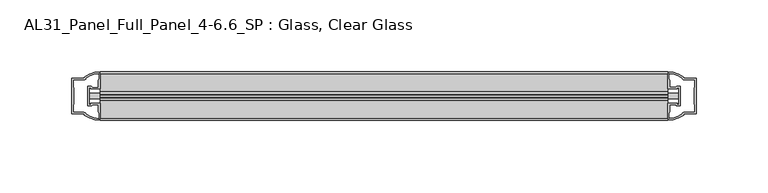
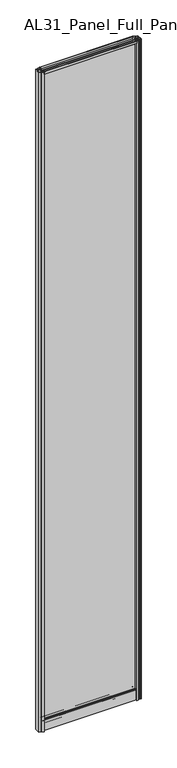
"""IFC4 building model written with IfcOpenShell, lengths in millimetres: plate geometry, AL31_Panel_Full_Panel_4-6.6_SP : Glass, Clear Glass."""

from ifc_helpers import new_model, si_unit, point, frame, frame_2d, origin, origin_with_axes, place, context, project, spatial, polyline, circle_curve, trimmed, segment, composite_curve, outline, extrude, source, transform, mapped, element, save


def al31_panel_full_panel_4_6_6_sp_glass_clear_glass_1949e9d2(model_context):
    return source(origin(), model_context, "Body", "SweptSolid", [
        extrude(outline(composite_curve([segment(trimmed(circle_curve(frame_2d((-0.1, 2966.3)), 3.0), [point((1.4, 2968.8980762))], [point((2.3718414, 2964.6))], False, "CARTESIAN"), True, "CONTINUOUS"), segment(polyline([(2.3718414, 2964.6), (15.7, 2964.6), (15.7, 2974.0), (17.0, 2974.0), (17.0, 2963.5), (6.7024688, 2963.5), (6.7024688, 2962.7), (6.1968782, 2960.7785039), (6.1968782, 2956.1), (5.0, 2956.1), (5.0, 2961.4339746), (5.5, 2962.3), (5.5, 2963.5), (-5.5, 2963.5), (-5.5, 2962.3), (-5.0, 2961.4339746), (-5.0, 2956.1), (-6.1968782, 2956.1), (-6.1968782, 2960.7785039), (-6.7024688, 2962.7), (-6.7024688, 2963.5), (-17.0, 2963.5), (-17.0, 2974.0), (-15.7, 2974.0), (-15.7, 2964.6), (-2.5718414, 2964.6)]), True, "CONTINUOUS"), segment(trimmed(circle_curve(frame_2d((-0.1, 2966.3)), 3.0), [point((-2.5718414, 2964.6))], [point((-1.6, 2968.8980762))], False, "CARTESIAN"), True, "CONTINUOUS"), segment(polyline([(-1.6, 2968.8980762), (-1.05, 2967.9454483)]), True, "CONTINUOUS"), segment(trimmed(circle_curve(frame_2d((-0.1, 2966.3)), 1.9), [point((-1.05, 2967.9454483))], [point((0.85, 2967.9454483))], True, "CARTESIAN"), True, "CONTINUOUS"), segment(polyline([(0.85, 2967.9454483), (1.4, 2968.8980762)]), True, "CONTINUOUS")], self_intersect=False)), frame((-197.7815679, 0.0, 0.0), z_axis=(1.0, 0.0, 0.0), x_axis=(0.0, 1.0, 0.0)), (0.0, 0.0, 1.0), 395.5631359),
        extrude(outline(composite_curve([segment(polyline([(-205.6229893, 5.9), (-205.6229893, -5.9), (-204.4229893, -5.9), (-204.4229893, -5.0), (-197.7815679, -5.0), (-197.7815679, -17.0003314)]), True, "CONTINUOUS"), segment(trimmed(circle_curve(frame_2d((-197.4169163, 2.9963441)), 20.0), [point((-197.7815679, -17.0003314))], [point((-209.1374032, -13.2095249))], False, "CARTESIAN"), True, "CONTINUOUS"), segment(polyline([(-209.1374032, -13.2095249), (-209.1374032, -12.3720657), (-217.7815679, -12.3720657), (-217.7815679, 12.3279343), (-209.1374032, 12.3279343), (-209.1374032, 13.2093388)]), True, "CONTINUOUS"), segment(trimmed(circle_curve(frame_2d((-197.4169163, -2.9965302)), 20.0), [point((-209.1374032, 13.2093388))], [point((-197.7815679, 17.0001453))], False, "CARTESIAN"), True, "CONTINUOUS"), segment(polyline([(-197.7815679, 17.0001453), (-197.7815679, 5.0), (-204.4229893, 5.0), (-204.4229893, 5.9), (-205.6229893, 5.9)]), True, "CONTINUOUS")], self_intersect=False), holes=[composite_curve([segment(polyline([(-204.6229893, -7.2), (-206.9229893, -7.2), (-206.9229893, 7.2), (-204.6229893, 7.2)]), True, "CONTINUOUS"), segment(trimmed(circle_curve(frame_2d((-204.6229893, 5.7)), 1.5), [point((-204.6229893, 7.2))], [point((-203.2478376, 6.2991308))], False, "CARTESIAN"), True, "CONTINUOUS"), segment(polyline([(-203.2478376, 6.2991308), (-199.5229893, 6.2991308), (-199.5229893, 10.8950916), (-199.0836495, 11.9557518), (-199.0836495, 15.6058503)]), True, "CONTINUOUS"), segment(trimmed(circle_curve(frame_2d((-197.4169163, -3.0197235)), 18.7), [point((-199.0836495, 15.6058503))], [point((-207.4236941, 12.7775673))], True, "CARTESIAN"), True, "CONTINUOUS"), segment(trimmed(circle_curve(frame_2d((-209.2229893, 12.8279343)), 1.8), [point((-207.4236941, 12.7775673))], [point((-209.2229893, 11.0279343))], False, "CARTESIAN"), True, "CONTINUOUS"), segment(polyline([(-209.2229893, 11.0279343), (-216.4229893, 11.0279343), (-216.4229893, 6.3879987), (-215.9229893, 5.3950916), (-215.9229893, -5.439223), (-216.3644106, -6.5019606), (-216.3644106, -11.0720657), (-209.2229893, -11.0720657)]), True, "CONTINUOUS"), segment(trimmed(circle_curve(frame_2d((-209.2229893, -12.8720657)), 1.8), [point((-209.2229893, -11.0720657))], [point((-207.4236941, -12.8216987))], False, "CARTESIAN"), True, "CONTINUOUS"), segment(trimmed(circle_curve(frame_2d((-197.4169163, 2.9755921)), 18.7), [point((-207.4236941, -12.8216987))], [point((-199.0836495, -15.6499817))], True, "CARTESIAN"), True, "CONTINUOUS"), segment(polyline([(-199.0836495, -15.6499817), (-199.0836495, -11.9998832), (-199.5229893, -10.939223), (-199.5229893, -6.3428731), (-203.267735, -6.3428731)]), True, "CONTINUOUS"), segment(trimmed(circle_curve(frame_2d((-204.6229893, -5.7)), 1.5), [point((-203.267735, -6.3428731))], [point((-204.6229893, -7.2))], False, "CARTESIAN"), True, "CONTINUOUS")], self_intersect=False)]), origin_with_axes(), (0.0, 0.0, 1.0), 2974.0),
        extrude(outline(composite_curve([segment(polyline([(205.6229893, -5.9), (205.6229893, 5.9), (204.4229893, 5.9), (204.4229893, 5.0), (197.7815679, 5.0), (197.7815679, 17.0003314)]), True, "CONTINUOUS"), segment(trimmed(circle_curve(frame_2d((197.4169163, -2.9963441)), 20.0), [point((197.7815679, 17.0003314))], [point((209.1374032, 13.2095249))], False, "CARTESIAN"), True, "CONTINUOUS"), segment(polyline([(209.1374032, 13.2095249), (209.1374032, 12.3720657), (217.7815679, 12.3720657), (217.7815679, -12.3279343), (209.1374032, -12.3279343), (209.1374032, -13.2093388)]), True, "CONTINUOUS"), segment(trimmed(circle_curve(frame_2d((197.4169163, 2.9965302)), 20.0), [point((209.1374032, -13.2093388))], [point((197.7815679, -17.0001453))], False, "CARTESIAN"), True, "CONTINUOUS"), segment(polyline([(197.7815679, -17.0001453), (197.7815679, -5.0), (204.4229893, -5.0), (204.4229893, -5.9), (205.6229893, -5.9)]), True, "CONTINUOUS")], self_intersect=False), holes=[composite_curve([segment(polyline([(204.6229893, 7.2), (206.9229893, 7.2), (206.9229893, -7.2), (204.6229893, -7.2)]), True, "CONTINUOUS"), segment(trimmed(circle_curve(frame_2d((204.6229893, -5.7)), 1.5), [point((204.6229893, -7.2))], [point((203.2478376, -6.2991308))], False, "CARTESIAN"), True, "CONTINUOUS"), segment(polyline([(203.2478376, -6.2991308), (199.5229893, -6.2991308), (199.5229893, -10.8950916), (199.0836495, -11.9557518), (199.0836495, -15.6058503)]), True, "CONTINUOUS"), segment(trimmed(circle_curve(frame_2d((197.4169163, 3.0197235)), 18.7), [point((199.0836495, -15.6058503))], [point((207.4236941, -12.7775673))], True, "CARTESIAN"), True, "CONTINUOUS"), segment(trimmed(circle_curve(frame_2d((209.2229893, -12.8279343)), 1.8), [point((207.4236941, -12.7775673))], [point((209.2229893, -11.0279343))], False, "CARTESIAN"), True, "CONTINUOUS"), segment(polyline([(209.2229893, -11.0279343), (216.4229893, -11.0279343), (216.4229893, -6.3879987), (215.9229893, -5.3950916), (215.9229893, 5.439223), (216.3644106, 6.5019606), (216.3644106, 11.0720657), (209.2229893, 11.0720657)]), True, "CONTINUOUS"), segment(trimmed(circle_curve(frame_2d((209.2229893, 12.8720657)), 1.8), [point((209.2229893, 11.0720657))], [point((207.4236941, 12.8216987))], False, "CARTESIAN"), True, "CONTINUOUS"), segment(trimmed(circle_curve(frame_2d((197.4169163, -2.9755921)), 18.7), [point((207.4236941, 12.8216987))], [point((199.0836495, 15.6499817))], True, "CARTESIAN"), True, "CONTINUOUS"), segment(polyline([(199.0836495, 15.6499817), (199.0836495, 11.9998832), (199.5229893, 10.939223), (199.5229893, 6.3428731), (203.267735, 6.3428731)]), True, "CONTINUOUS"), segment(trimmed(circle_curve(frame_2d((204.6229893, 5.7)), 1.5), [point((203.267735, 6.3428731))], [point((204.6229893, 7.2))], False, "CARTESIAN"), True, "CONTINUOUS")], self_intersect=False)]), origin_with_axes(), (0.0, 0.0, 1.0), 2974.0),
        extrude(outline(composite_curve([segment(polyline([(8.4, 35.8), (-8.4, 35.8)]), True, "CONTINUOUS"), segment(trimmed(circle_curve(frame_2d((-8.4, 34.8)), 1.0), [point((-8.4, 35.8))], [point((-9.4, 34.8))], True, "CARTESIAN"), True, "CONTINUOUS"), segment(polyline([(-9.4, 34.8), (-9.4, 33.5), (-4.9999697, 33.5), (-4.9999697, 32.3), (-9.4, 32.3), (-9.4, 0.0), (-10.6, 0.0), (-10.6, 47.3)]), True, "CONTINUOUS"), segment(trimmed(circle_curve(frame_2d((-8.6, 47.3)), 2.0), [point((-10.6, 47.3))], [point((-8.6, 49.3))], False, "CARTESIAN"), True, "CONTINUOUS"), segment(polyline([(-8.6, 49.3), (-5.0, 49.3), (-5.0, 41.9), (5.0, 41.9), (5.0, 49.3), (8.6, 49.3)]), True, "CONTINUOUS"), segment(trimmed(circle_curve(frame_2d((8.6, 47.3)), 2.0), [point((8.6, 49.3))], [point((10.6, 47.3))], False, "CARTESIAN"), True, "CONTINUOUS"), segment(polyline([(10.6, 47.3), (10.6, 0.0), (9.4, 0.0), (9.4, 32.3), (5.0000303, 32.3), (5.0000303, 33.5), (9.4, 33.5), (9.4, 34.8)]), True, "CONTINUOUS"), segment(trimmed(circle_curve(frame_2d((8.4, 34.8)), 1.0), [point((9.4, 34.8))], [point((8.4, 35.8))], True, "CARTESIAN"), True, "CONTINUOUS")], self_intersect=False), holes=[composite_curve([segment(polyline([(-6.5024688, 41.8), (-6.5024688, 42.9)]), True, "CONTINUOUS"), segment(trimmed(circle_curve(frame_2d((-5.3024688, 42.9)), 1.2), [point((-6.5024688, 42.9))], [point((-6.1198184, 43.7786009))], False, "CARTESIAN"), True, "CONTINUOUS"), segment(polyline([(-6.1198184, 43.7786009), (-6.1198184, 48.2), (-8.4, 48.2)]), True, "CONTINUOUS"), segment(trimmed(circle_curve(frame_2d((-8.4, 47.2)), 1.0), [point((-8.4, 48.2))], [point((-9.4, 47.2))], True, "CARTESIAN"), True, "CONTINUOUS"), segment(polyline([(-9.4, 47.2), (-9.4, 37.04), (-2.8008965, 37.04), (-2.8008965, 38.0725806), (-1.8370508, 38.0725806)]), True, "CONTINUOUS"), segment(trimmed(circle_curve(frame_2d((0.0, 39.1)), 2.1048387), [point((-1.8370508, 38.0725806))], [point((1.8370508, 38.0725806))], True, "CARTESIAN"), True, "CONTINUOUS"), segment(polyline([(1.8370508, 38.0725806), (2.8008965, 38.0725806), (2.8008965, 37.04), (9.4, 37.04), (9.4, 47.2)]), True, "CONTINUOUS"), segment(trimmed(circle_curve(frame_2d((8.4, 47.2)), 1.0), [point((9.4, 47.2))], [point((8.4, 48.2))], True, "CARTESIAN"), True, "CONTINUOUS"), segment(polyline([(8.4, 48.2), (6.1198184, 48.2), (6.1198184, 43.5786009)]), True, "CONTINUOUS"), segment(trimmed(circle_curve(frame_2d((5.3024688, 42.7)), 1.2), [point((6.1198184, 43.5786009))], [point((6.5024688, 42.7))], False, "CARTESIAN"), True, "CONTINUOUS"), segment(polyline([(6.5024688, 42.7), (6.5024688, 41.8)]), True, "CONTINUOUS"), segment(trimmed(circle_curve(frame_2d((5.5024688, 41.8)), 1.0), [point((6.5024688, 41.8))], [point((5.5024688, 40.8))], False, "CARTESIAN"), True, "CONTINUOUS"), segment(polyline([(5.5024688, 40.8), (2.8008965, 40.8), (2.8008965, 39.7274194), (1.8370508, 39.7274194)]), True, "CONTINUOUS"), segment(trimmed(circle_curve(frame_2d((0.0, 38.7)), 2.1048387), [point((1.8370508, 39.7274194))], [point((-1.8370508, 39.7274194))], True, "CARTESIAN"), True, "CONTINUOUS"), segment(polyline([(-1.8370508, 39.7274194), (-2.8008965, 39.7274194), (-2.8008965, 40.8), (-5.5024688, 40.8)]), True, "CONTINUOUS"), segment(trimmed(circle_curve(frame_2d((-5.5024688, 41.8)), 1.0), [point((-5.5024688, 40.8))], [point((-6.5024688, 41.8))], False, "CARTESIAN"), True, "CONTINUOUS")], self_intersect=False)]), frame((-197.7815679, 0.0, 0.0), z_axis=(1.0, 0.0, 0.0), x_axis=(0.0, 1.0, 0.0)), (0.0, 0.0, 1.0), 395.5631359),
        extrude(outline(polyline([(205.6229893, -2.0), (-205.6229893, -2.0), (-205.6229893, 2.0), (205.6229893, 2.0), (205.6229893, -2.0)])), frame((0.0, 0.0, 41.9), z_axis=(0.0, 0.0, 1.0), x_axis=(1.0, 0.0, 0.0)), (0.0, 0.0, 1.0), 2921.6),
    ])


if __name__ == "__main__":
    model = new_model("IFC4")
    model_context = context("Model", 3, world=origin())
    ifc_project = project(units=[si_unit("LENGTHUNIT", "METRE", prefix="MILLI")], contexts=[model_context])
    site = spatial("IfcSite", under=ifc_project)
    building = spatial("IfcBuilding", under=site)
    placement = place(None, origin())
    al31_panel_full_panel_4_6_6_sp_glass_clear_glass_shape = al31_panel_full_panel_4_6_6_sp_glass_clear_glass_1949e9d2(model_context)
    element("IfcPlate", 1, ObjectType="AL31_Panel_Full_Panel_4-6.6_SP : Glass, Clear Glass", at=placement, inside=building, context=model_context, shape_type="MappedRepresentation", body=[
        mapped(al31_panel_full_panel_4_6_6_sp_glass_clear_glass_shape, transform((0.0, 0.0, 0.0), x_axis=(1.0, 0.0, 0.0), y_axis=(0.0, 1.0, 0.0), z_axis=(0.0, 0.0, 1.0))),
    ])
    save(model, "model.ifc")
